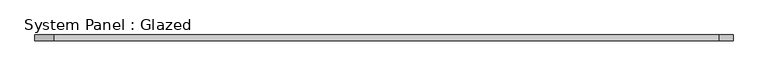
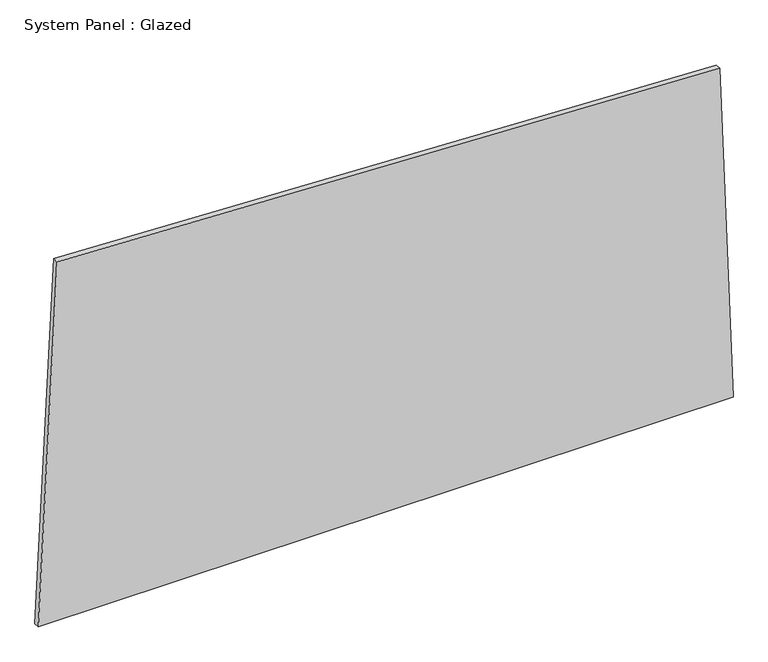
"""IFC4 building model written with IfcOpenShell, lengths in millimetres: plate geometry, System Panel : Glazed."""

import ifcopenshell
import ifcopenshell.guid

model = None  # the IFC model being written
_history = None  # IfcOwnerHistory: only IFC2X3 demands one
_inside = {}  # id of a spatial element -> (the spatial element, [elements in it])
_under = {}  # id of a project, library or spatial element -> (it, [spatial elements below it])
_declared = {}  # id of a project -> (the project, [libraries it declares])
_typed = {}  # id of a type object -> (the type object, [elements of that type])
_made_of = {}  # id of a material, layer set ... -> (it, [elements and type objects made of it])


def new_model(schema):
    """Start an empty IFC model of exactly this schema.

    Asked for "IFC4X3", IfcOpenShell would pick the latest addendum, in which some entities
    have other attributes; the version numbers below select the first issue.
    IFC2X3 requires an IfcOwnerHistory on every rooted entity: one is made here for all.
    """
    global model, _history
    if schema == "IFC4X3":
        model = ifcopenshell.file(schema_version=(4, 3, 0, 0))
    else:
        model = ifcopenshell.file(schema=schema)
    _inside.clear()
    _under.clear()
    _declared.clear()
    _typed.clear()
    _made_of.clear()
    _history = None
    if model.schema == "IFC2X3":
        org = make("IfcOrganization", Name="unknown")
        user = make(
            "IfcPersonAndOrganization",
            ThePerson=make("IfcPerson", FamilyName="unknown"),
            TheOrganization=org,
        )
        app = make(
            "IfcApplication",
            ApplicationDeveloper=org,
            Version="unknown",
            ApplicationFullName="unknown",
            ApplicationIdentifier="unknown",
        )
        _history = make(
            "IfcOwnerHistory",
            OwningUser=user,
            OwningApplication=app,
            ChangeAction="ADDED",
            CreationDate=0,
        )
    return model


def make(cls, **values):
    """One entity of the class cls with the attributes given. An attribute that is None is left unset."""
    return model.create_entity(
        cls, **{name: value for name, value in values.items() if value is not None}
    )


def rooted(cls, **values):
    """An entity with a GlobalId (a new one), such as an element, a storey or a relation."""
    return make(cls, GlobalId=ifcopenshell.guid.new(), OwnerHistory=_history, **values)


def si_unit(unit_type, name, prefix=None):
    """IfcSIUnit, for example si_unit("LENGTHUNIT", "METRE", prefix="MILLI")."""
    return make("IfcSIUnit", UnitType=unit_type, Prefix=prefix, Name=name)


def assignment(units):
    """IfcUnitAssignment: the units of a project."""
    return None if units is None else make("IfcUnitAssignment", Units=units)


def point(xyz):
    """IfcCartesianPoint."""
    return None if xyz is None else make("IfcCartesianPoint", Coordinates=xyz)


def direction(xyz):
    """IfcDirection."""
    return None if xyz is None else make("IfcDirection", DirectionRatios=xyz)


def frame(location, z_axis=None, x_axis=None):
    """IfcAxis2Placement3D, a coordinate frame: its origin and axes. An axis left out is left unset."""
    return make(
        "IfcAxis2Placement3D",
        Location=point(location),
        Axis=direction(z_axis),
        RefDirection=direction(x_axis),
    )


def origin():
    """The frame at (0, 0, 0) with its axes left unset."""
    return frame((0.0, 0.0, 0.0))


def place(relative_to, where):
    """IfcLocalPlacement: puts the frame where relative to a parent placement (None: the world)."""
    return make(
        "IfcLocalPlacement", PlacementRelTo=relative_to, RelativePlacement=where
    )


def context(
    kind, dimensions, precision=None, world=None, true_north=None, identifier=None
):
    """IfcGeometricRepresentationContext, for example the 3D "Model" context."""
    return make(
        "IfcGeometricRepresentationContext",
        ContextIdentifier=identifier,
        ContextType=kind,
        CoordinateSpaceDimension=dimensions,
        Precision=precision,
        WorldCoordinateSystem=world,
        TrueNorth=true_north,
    )


def project(units=None, contexts=None):
    """IfcProject with its units and contexts."""
    return rooted(
        "IfcProject",
        Name="project",
        RepresentationContexts=contexts,
        UnitsInContext=assignment(units),
    )


def spatial(cls, under=None, at=None, **own):
    """A site, building, storey or space (cls), placed at a placement, below another one or the project."""
    s = rooted(cls, ObjectPlacement=at, **own)
    if under is not None:
        _under.setdefault(under.id(), (under, []))[1].append(s)
    return s


def polyline(points):
    """IfcPolyline through the points."""
    return make("IfcPolyline", Points=[point(p) for p in points])


def outline(outer, holes=None, kind="AREA"):
    """IfcArbitraryClosedProfileDef: a profile drawn as a closed curve; with holes, ...WithVoids."""
    if holes is None:
        return make("IfcArbitraryClosedProfileDef", ProfileType=kind, OuterCurve=outer)
    return make(
        "IfcArbitraryProfileDefWithVoids",
        ProfileType=kind,
        OuterCurve=outer,
        InnerCurves=holes,
    )


def extrude(swept, where, along, depth):
    """IfcExtrudedAreaSolid: the profile swept, set in the frame where, extruded along a direction by depth."""
    return make(
        "IfcExtrudedAreaSolid",
        SweptArea=swept,
        Position=where,
        ExtrudedDirection=direction(along),
        Depth=depth,
    )


def shape(context_of_items, identifier, shape_type, items):
    """IfcShapeRepresentation: the items that make up one representation, for example the "Body"."""
    return make(
        "IfcShapeRepresentation",
        ContextOfItems=context_of_items,
        RepresentationIdentifier=identifier,
        RepresentationType=shape_type,
        Items=items,
    )


def source(mapping_origin, context_of_items, identifier, shape_type, items):
    """IfcRepresentationMap: a shape defined once, which mapped items show again and again."""
    return make(
        "IfcRepresentationMap",
        MappingOrigin=mapping_origin,
        MappedRepresentation=shape(context_of_items, identifier, shape_type, items),
    )


def transform(
    local_origin,
    x_axis=None,
    y_axis=None,
    z_axis=None,
    scale=None,
    scale2=None,
    scale3=None,
    uniform=True,
):
    """IfcCartesianTransformationOperator3D, or its non-uniform kind. x_axis, y_axis, z_axis: its Axis1, 2, 3."""
    if uniform:
        return make(
            "IfcCartesianTransformationOperator3D",
            Axis1=direction(x_axis),
            Axis2=direction(y_axis),
            LocalOrigin=point(local_origin),
            Scale=scale,
            Axis3=direction(z_axis),
        )
    return make(
        "IfcCartesianTransformationOperator3DnonUniform",
        Axis1=direction(x_axis),
        Axis2=direction(y_axis),
        LocalOrigin=point(local_origin),
        Scale=scale,
        Axis3=direction(z_axis),
        Scale2=scale2,
        Scale3=scale3,
    )


def mapped(mapping_source, mapping_target):
    """IfcMappedItem: shows the shape of a source again, moved by a transform."""
    return make(
        "IfcMappedItem", MappingSource=mapping_source, MappingTarget=mapping_target
    )


def made_of(thing, what):
    """Note that an element or type object is made of a material, layer set ...; save() writes the relation."""
    if what is not None:
        _made_of.setdefault(what.id(), (what, []))[1].append(thing)
    return thing


def element(
    cls,
    number,
    at=None,
    inside=None,
    cuts=None,
    type_object=None,
    material=None,
    context=None,
    identifier="Body",
    shape_type=None,
    held_by="IfcProductDefinitionShape",
    body=None,
    shapes=None,
    **own,
):
    """One element of the class cls, such as IfcWall. Its Tag is "e" and its number.

    at: its placement. inside: the storey or other place that contains it. cuts: it is an
    opening in that element (IfcRelVoidsElement). A single representation is given by context,
    identifier, shape_type and body (its items); several are given by shapes. held_by: the class
    of the entity that holds the representations. save() writes the other relations.
    """
    e = rooted(cls, Tag="e%d" % number, ObjectPlacement=at, **own)
    if body is not None:
        shapes = [shape(context, identifier, shape_type, body)]
    if shapes is not None:
        e.Representation = make(held_by, Representations=shapes)
    if inside is not None:
        _inside.setdefault(inside.id(), (inside, []))[1].append(e)
    if cuts is not None:
        rooted(
            "IfcRelVoidsElement", RelatingBuildingElement=cuts, RelatedOpeningElement=e
        )
    if type_object is not None:
        _typed.setdefault(type_object.id(), (type_object, []))[1].append(e)
    return made_of(e, material)


def aggregate(whole, parts):
    """IfcRelAggregates: a whole, such as a stair, and the parts it consists of."""
    return rooted("IfcRelAggregates", RelatingObject=whole, RelatedObjects=parts)


def save(model, path):
    """Write the relations noted so far, then the file.

    IfcRelAggregates (storeys below a building ...), IfcRelContainedInSpatialStructure (elements
    in a storey), IfcRelDefinesByType, IfcRelAssociatesMaterial and IfcRelDeclares: one each for
    every whole, place, type object, material and project.
    """
    for whole, parts in _under.values():
        aggregate(whole, parts)
    for where, things in _inside.values():
        rooted(
            "IfcRelContainedInSpatialStructure",
            RelatedElements=things,
            RelatingStructure=where,
        )
    for kind, things in _typed.values():
        rooted("IfcRelDefinesByType", RelatedObjects=things, RelatingType=kind)
    for what, things in _made_of.values():
        rooted("IfcRelAssociatesMaterial", RelatedObjects=things, RelatingMaterial=what)
    for by, libraries in _declared.values():
        rooted("IfcRelDeclares", RelatingContext=by, RelatedDefinitions=libraries)
    model.write(path)


def system_panel_glazed_8efa2285(model_context):
    return source(origin(), model_context, "Body", "SweptSolid", [
        extrude(outline(polyline([(0.0, -1508.403792), (0.0, 1508.403792), (1530.1203012, 1449.495004), (1648.459057, -1427.1966591), (0.0, -1508.403792)])), frame((0.0, -49.5, 0.0), z_axis=(0.0, 1.0, 0.0), x_axis=(0.0, 0.0, 1.0)), (0.0, 0.0, 1.0), 25.0),
    ])


if __name__ == "__main__":
    model = new_model("IFC4")
    model_context = context("Model", 3, world=origin())
    ifc_project = project(units=[si_unit("LENGTHUNIT", "METRE", prefix="MILLI")], contexts=[model_context])
    site = spatial("IfcSite", under=ifc_project)
    building = spatial("IfcBuilding", under=site)
    placement = place(None, origin())
    system_panel_glazed_shape = system_panel_glazed_8efa2285(model_context)
    element("IfcPlate", 1, ObjectType="System Panel : Glazed", at=placement, inside=building, context=model_context, shape_type="MappedRepresentation", body=[
        mapped(system_panel_glazed_shape, transform((0.0, 0.0, 0.0), x_axis=(1.0, 0.0, 0.0), y_axis=(0.0, 1.0, 0.0), z_axis=(0.0, 0.0, 1.0))),
    ])
    save(model, "model.ifc")
